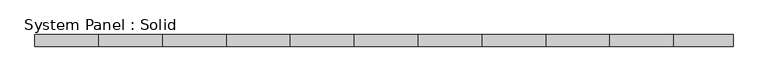
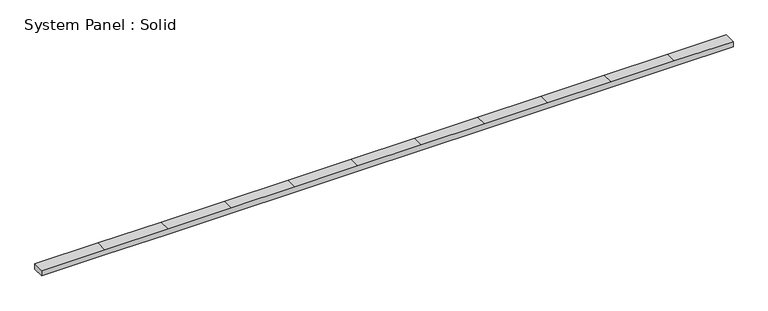
"""IFC4 building model written with IfcOpenShell, lengths in millimetres: plate geometry, System Panel : Solid."""

import ifcopenshell
import ifcopenshell.guid

model = None  # the IFC model being written
_history = None  # IfcOwnerHistory: only IFC2X3 demands one
_inside = {}  # id of a spatial element -> (the spatial element, [elements in it])
_under = {}  # id of a project, library or spatial element -> (it, [spatial elements below it])
_declared = {}  # id of a project -> (the project, [libraries it declares])
_typed = {}  # id of a type object -> (the type object, [elements of that type])
_made_of = {}  # id of a material, layer set ... -> (it, [elements and type objects made of it])


def new_model(schema):
    """Start an empty IFC model of exactly this schema.

    Asked for "IFC4X3", IfcOpenShell would pick the latest addendum, in which some entities
    have other attributes; the version numbers below select the first issue.
    IFC2X3 requires an IfcOwnerHistory on every rooted entity: one is made here for all.
    """
    global model, _history
    if schema == "IFC4X3":
        model = ifcopenshell.file(schema_version=(4, 3, 0, 0))
    else:
        model = ifcopenshell.file(schema=schema)
    _inside.clear()
    _under.clear()
    _declared.clear()
    _typed.clear()
    _made_of.clear()
    _history = None
    if model.schema == "IFC2X3":
        org = make("IfcOrganization", Name="unknown")
        user = make(
            "IfcPersonAndOrganization",
            ThePerson=make("IfcPerson", FamilyName="unknown"),
            TheOrganization=org,
        )
        app = make(
            "IfcApplication",
            ApplicationDeveloper=org,
            Version="unknown",
            ApplicationFullName="unknown",
            ApplicationIdentifier="unknown",
        )
        _history = make(
            "IfcOwnerHistory",
            OwningUser=user,
            OwningApplication=app,
            ChangeAction="ADDED",
            CreationDate=0,
        )
    return model


def make(cls, **values):
    """One entity of the class cls with the attributes given. An attribute that is None is left unset."""
    return model.create_entity(
        cls, **{name: value for name, value in values.items() if value is not None}
    )


def rooted(cls, **values):
    """An entity with a GlobalId (a new one), such as an element, a storey or a relation."""
    return make(cls, GlobalId=ifcopenshell.guid.new(), OwnerHistory=_history, **values)


def si_unit(unit_type, name, prefix=None):
    """IfcSIUnit, for example si_unit("LENGTHUNIT", "METRE", prefix="MILLI")."""
    return make("IfcSIUnit", UnitType=unit_type, Prefix=prefix, Name=name)


def assignment(units):
    """IfcUnitAssignment: the units of a project."""
    return None if units is None else make("IfcUnitAssignment", Units=units)


def point(xyz):
    """IfcCartesianPoint."""
    return None if xyz is None else make("IfcCartesianPoint", Coordinates=xyz)


def direction(xyz):
    """IfcDirection."""
    return None if xyz is None else make("IfcDirection", DirectionRatios=xyz)


def frame(location, z_axis=None, x_axis=None):
    """IfcAxis2Placement3D, a coordinate frame: its origin and axes. An axis left out is left unset."""
    return make(
        "IfcAxis2Placement3D",
        Location=point(location),
        Axis=direction(z_axis),
        RefDirection=direction(x_axis),
    )


def origin():
    """The frame at (0, 0, 0) with its axes left unset."""
    return frame((0.0, 0.0, 0.0))


def place(relative_to, where):
    """IfcLocalPlacement: puts the frame where relative to a parent placement (None: the world)."""
    return make(
        "IfcLocalPlacement", PlacementRelTo=relative_to, RelativePlacement=where
    )


def context(
    kind, dimensions, precision=None, world=None, true_north=None, identifier=None
):
    """IfcGeometricRepresentationContext, for example the 3D "Model" context."""
    return make(
        "IfcGeometricRepresentationContext",
        ContextIdentifier=identifier,
        ContextType=kind,
        CoordinateSpaceDimension=dimensions,
        Precision=precision,
        WorldCoordinateSystem=world,
        TrueNorth=true_north,
    )


def project(units=None, contexts=None):
    """IfcProject with its units and contexts."""
    return rooted(
        "IfcProject",
        Name="project",
        RepresentationContexts=contexts,
        UnitsInContext=assignment(units),
    )


def spatial(cls, under=None, at=None, **own):
    """A site, building, storey or space (cls), placed at a placement, below another one or the project."""
    s = rooted(cls, ObjectPlacement=at, **own)
    if under is not None:
        _under.setdefault(under.id(), (under, []))[1].append(s)
    return s


def polyline(points):
    """IfcPolyline through the points."""
    return make("IfcPolyline", Points=[point(p) for p in points])


def outline(outer, holes=None, kind="AREA"):
    """IfcArbitraryClosedProfileDef: a profile drawn as a closed curve; with holes, ...WithVoids."""
    if holes is None:
        return make("IfcArbitraryClosedProfileDef", ProfileType=kind, OuterCurve=outer)
    return make(
        "IfcArbitraryProfileDefWithVoids",
        ProfileType=kind,
        OuterCurve=outer,
        InnerCurves=holes,
    )


def extrude(swept, where, along, depth):
    """IfcExtrudedAreaSolid: the profile swept, set in the frame where, extruded along a direction by depth."""
    return make(
        "IfcExtrudedAreaSolid",
        SweptArea=swept,
        Position=where,
        ExtrudedDirection=direction(along),
        Depth=depth,
    )


def shape(context_of_items, identifier, shape_type, items):
    """IfcShapeRepresentation: the items that make up one representation, for example the "Body"."""
    return make(
        "IfcShapeRepresentation",
        ContextOfItems=context_of_items,
        RepresentationIdentifier=identifier,
        RepresentationType=shape_type,
        Items=items,
    )


def source(mapping_origin, context_of_items, identifier, shape_type, items):
    """IfcRepresentationMap: a shape defined once, which mapped items show again and again."""
    return make(
        "IfcRepresentationMap",
        MappingOrigin=mapping_origin,
        MappedRepresentation=shape(context_of_items, identifier, shape_type, items),
    )


def transform(
    local_origin,
    x_axis=None,
    y_axis=None,
    z_axis=None,
    scale=None,
    scale2=None,
    scale3=None,
    uniform=True,
):
    """IfcCartesianTransformationOperator3D, or its non-uniform kind. x_axis, y_axis, z_axis: its Axis1, 2, 3."""
    if uniform:
        return make(
            "IfcCartesianTransformationOperator3D",
            Axis1=direction(x_axis),
            Axis2=direction(y_axis),
            LocalOrigin=point(local_origin),
            Scale=scale,
            Axis3=direction(z_axis),
        )
    return make(
        "IfcCartesianTransformationOperator3DnonUniform",
        Axis1=direction(x_axis),
        Axis2=direction(y_axis),
        LocalOrigin=point(local_origin),
        Scale=scale,
        Axis3=direction(z_axis),
        Scale2=scale2,
        Scale3=scale3,
    )


def mapped(mapping_source, mapping_target):
    """IfcMappedItem: shows the shape of a source again, moved by a transform."""
    return make(
        "IfcMappedItem", MappingSource=mapping_source, MappingTarget=mapping_target
    )


def made_of(thing, what):
    """Note that an element or type object is made of a material, layer set ...; save() writes the relation."""
    if what is not None:
        _made_of.setdefault(what.id(), (what, []))[1].append(thing)
    return thing


def element(
    cls,
    number,
    at=None,
    inside=None,
    cuts=None,
    type_object=None,
    material=None,
    context=None,
    identifier="Body",
    shape_type=None,
    held_by="IfcProductDefinitionShape",
    body=None,
    shapes=None,
    **own,
):
    """One element of the class cls, such as IfcWall. Its Tag is "e" and its number.

    at: its placement. inside: the storey or other place that contains it. cuts: it is an
    opening in that element (IfcRelVoidsElement). A single representation is given by context,
    identifier, shape_type and body (its items); several are given by shapes. held_by: the class
    of the entity that holds the representations. save() writes the other relations.
    """
    e = rooted(cls, Tag="e%d" % number, ObjectPlacement=at, **own)
    if body is not None:
        shapes = [shape(context, identifier, shape_type, body)]
    if shapes is not None:
        e.Representation = make(held_by, Representations=shapes)
    if inside is not None:
        _inside.setdefault(inside.id(), (inside, []))[1].append(e)
    if cuts is not None:
        rooted(
            "IfcRelVoidsElement", RelatingBuildingElement=cuts, RelatedOpeningElement=e
        )
    if type_object is not None:
        _typed.setdefault(type_object.id(), (type_object, []))[1].append(e)
    return made_of(e, material)


def aggregate(whole, parts):
    """IfcRelAggregates: a whole, such as a stair, and the parts it consists of."""
    return rooted("IfcRelAggregates", RelatingObject=whole, RelatedObjects=parts)


def save(model, path):
    """Write the relations noted so far, then the file.

    IfcRelAggregates (storeys below a building ...), IfcRelContainedInSpatialStructure (elements
    in a storey), IfcRelDefinesByType, IfcRelAssociatesMaterial and IfcRelDeclares: one each for
    every whole, place, type object, material and project.
    """
    for whole, parts in _under.values():
        aggregate(whole, parts)
    for where, things in _inside.values():
        rooted(
            "IfcRelContainedInSpatialStructure",
            RelatedElements=things,
            RelatingStructure=where,
        )
    for kind, things in _typed.values():
        rooted("IfcRelDefinesByType", RelatedObjects=things, RelatingType=kind)
    for what, things in _made_of.values():
        rooted("IfcRelAssociatesMaterial", RelatedObjects=things, RelatingMaterial=what)
    for by, libraries in _declared.values():
        rooted("IfcRelDeclares", RelatingContext=by, RelatedDefinitions=libraries)
    model.write(path)


def system_panel_solid_565f1c6d(model_context):
    return source(origin(), model_context, "Body", "SweptSolid", [
        extrude(outline(polyline([(0.0, -3005.0000002), (0.0, -2454.9999998), (0.0, -1904.9999998), (0.0, -1354.9999998), (0.0, -804.9999998), (0.0, -254.9999998), (0.0, 295.0000002), (0.0, 845.0000002), (0.0, 1395.0000002), (0.0, 1945.0000002), (0.0, 2495.0000002), (0.0, 3005.0000002), (50.0, 3005.0000002), (50.0, 2495.0000002), (50.0, 1945.0000002), (50.0, 1395.0000002), (50.0, 845.0000002), (50.0, 295.0000002), (50.0, -254.9999998), (50.0, -804.9999998), (50.0, -1354.9999998), (50.0, -1904.9999998), (50.0, -2454.9999998), (50.0, -3005.0000002), (0.0, -3005.0000002)])), frame((0.0, 50.0, 0.0), z_axis=(0.0, 1.0, 0.0), x_axis=(0.0, 0.0, 1.0)), (0.0, 0.0, 1.0), 100.0),
    ])


if __name__ == "__main__":
    model = new_model("IFC4")
    model_context = context("Model", 3, world=origin())
    ifc_project = project(units=[si_unit("LENGTHUNIT", "METRE", prefix="MILLI")], contexts=[model_context])
    site = spatial("IfcSite", under=ifc_project)
    building = spatial("IfcBuilding", under=site)
    placement = place(None, origin())
    system_panel_solid_shape = system_panel_solid_565f1c6d(model_context)
    element("IfcPlate", 1, ObjectType="System Panel : Solid", at=placement, inside=building, context=model_context, shape_type="MappedRepresentation", body=[
        mapped(system_panel_solid_shape, transform((0.0, 0.0, 0.0), x_axis=(1.0, 0.0, 0.0), y_axis=(0.0, 1.0, 0.0), z_axis=(0.0, 0.0, 1.0))),
    ])
    save(model, "model.ifc")
